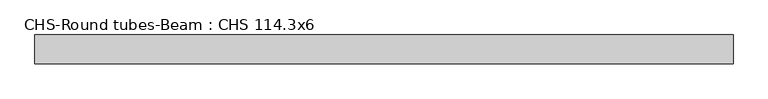
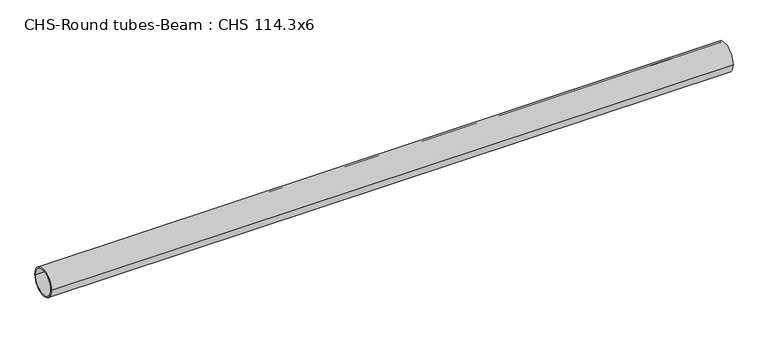
"""IFC4 building model written with IfcOpenShell, lengths in millimetres: beam geometry, CHS-Round tubes-Beam : CHS 114.3x6."""

import ifcopenshell
import ifcopenshell.guid

model = None  # the IFC model being written
_history = None  # IfcOwnerHistory: only IFC2X3 demands one
_inside = {}  # id of a spatial element -> (the spatial element, [elements in it])
_under = {}  # id of a project, library or spatial element -> (it, [spatial elements below it])
_declared = {}  # id of a project -> (the project, [libraries it declares])
_typed = {}  # id of a type object -> (the type object, [elements of that type])
_made_of = {}  # id of a material, layer set ... -> (it, [elements and type objects made of it])


def new_model(schema):
    """Start an empty IFC model of exactly this schema.

    Asked for "IFC4X3", IfcOpenShell would pick the latest addendum, in which some entities
    have other attributes; the version numbers below select the first issue.
    IFC2X3 requires an IfcOwnerHistory on every rooted entity: one is made here for all.
    """
    global model, _history
    if schema == "IFC4X3":
        model = ifcopenshell.file(schema_version=(4, 3, 0, 0))
    else:
        model = ifcopenshell.file(schema=schema)
    _inside.clear()
    _under.clear()
    _declared.clear()
    _typed.clear()
    _made_of.clear()
    _history = None
    if model.schema == "IFC2X3":
        org = make("IfcOrganization", Name="unknown")
        user = make(
            "IfcPersonAndOrganization",
            ThePerson=make("IfcPerson", FamilyName="unknown"),
            TheOrganization=org,
        )
        app = make(
            "IfcApplication",
            ApplicationDeveloper=org,
            Version="unknown",
            ApplicationFullName="unknown",
            ApplicationIdentifier="unknown",
        )
        _history = make(
            "IfcOwnerHistory",
            OwningUser=user,
            OwningApplication=app,
            ChangeAction="ADDED",
            CreationDate=0,
        )
    return model


def make(cls, **values):
    """One entity of the class cls with the attributes given. An attribute that is None is left unset."""
    return model.create_entity(
        cls, **{name: value for name, value in values.items() if value is not None}
    )


def rooted(cls, **values):
    """An entity with a GlobalId (a new one), such as an element, a storey or a relation."""
    return make(cls, GlobalId=ifcopenshell.guid.new(), OwnerHistory=_history, **values)


def si_unit(unit_type, name, prefix=None):
    """IfcSIUnit, for example si_unit("LENGTHUNIT", "METRE", prefix="MILLI")."""
    return make("IfcSIUnit", UnitType=unit_type, Prefix=prefix, Name=name)


def assignment(units):
    """IfcUnitAssignment: the units of a project."""
    return None if units is None else make("IfcUnitAssignment", Units=units)


def point(xyz):
    """IfcCartesianPoint."""
    return None if xyz is None else make("IfcCartesianPoint", Coordinates=xyz)


def direction(xyz):
    """IfcDirection."""
    return None if xyz is None else make("IfcDirection", DirectionRatios=xyz)


def frame(location, z_axis=None, x_axis=None):
    """IfcAxis2Placement3D, a coordinate frame: its origin and axes. An axis left out is left unset."""
    return make(
        "IfcAxis2Placement3D",
        Location=point(location),
        Axis=direction(z_axis),
        RefDirection=direction(x_axis),
    )


def frame_2d(location, x_axis=None):
    """IfcAxis2Placement2D, a coordinate frame in the plane: its origin and x axis."""
    return make(
        "IfcAxis2Placement2D", Location=point(location), RefDirection=direction(x_axis)
    )


def origin():
    """The frame at (0, 0, 0) with its axes left unset."""
    return frame((0.0, 0.0, 0.0))


def origin_2d():
    """The frame at (0, 0) in the plane with its x axis left unset."""
    return frame_2d((0.0, 0.0))


def place(relative_to, where):
    """IfcLocalPlacement: puts the frame where relative to a parent placement (None: the world)."""
    return make(
        "IfcLocalPlacement", PlacementRelTo=relative_to, RelativePlacement=where
    )


def context(
    kind, dimensions, precision=None, world=None, true_north=None, identifier=None
):
    """IfcGeometricRepresentationContext, for example the 3D "Model" context."""
    return make(
        "IfcGeometricRepresentationContext",
        ContextIdentifier=identifier,
        ContextType=kind,
        CoordinateSpaceDimension=dimensions,
        Precision=precision,
        WorldCoordinateSystem=world,
        TrueNorth=true_north,
    )


def project(units=None, contexts=None):
    """IfcProject with its units and contexts."""
    return rooted(
        "IfcProject",
        Name="project",
        RepresentationContexts=contexts,
        UnitsInContext=assignment(units),
    )


def spatial(cls, under=None, at=None, **own):
    """A site, building, storey or space (cls), placed at a placement, below another one or the project."""
    s = rooted(cls, ObjectPlacement=at, **own)
    if under is not None:
        _under.setdefault(under.id(), (under, []))[1].append(s)
    return s


def circle_curve(where, radius):
    """IfcCircle in the frame where."""
    return make("IfcCircle", Position=where, Radius=radius)


def trimmed(basis, trim1, trim2, sense, master):
    """IfcTrimmedCurve: the piece of a basis curve between two trims."""
    return make(
        "IfcTrimmedCurve",
        BasisCurve=basis,
        Trim1=trim1,
        Trim2=trim2,
        SenseAgreement=sense,
        MasterRepresentation=master,
    )


def segment(curve, same_sense, transition):
    """IfcCompositeCurveSegment."""
    return make(
        "IfcCompositeCurveSegment",
        Transition=transition,
        SameSense=same_sense,
        ParentCurve=curve,
    )


def composite_curve(segments, self_intersect=None):
    """IfcCompositeCurve: segments joined end to end."""
    return make("IfcCompositeCurve", Segments=segments, SelfIntersect=self_intersect)


def outline(outer, holes=None, kind="AREA"):
    """IfcArbitraryClosedProfileDef: a profile drawn as a closed curve; with holes, ...WithVoids."""
    if holes is None:
        return make("IfcArbitraryClosedProfileDef", ProfileType=kind, OuterCurve=outer)
    return make(
        "IfcArbitraryProfileDefWithVoids",
        ProfileType=kind,
        OuterCurve=outer,
        InnerCurves=holes,
    )


def extrude(swept, where, along, depth):
    """IfcExtrudedAreaSolid: the profile swept, set in the frame where, extruded along a direction by depth."""
    return make(
        "IfcExtrudedAreaSolid",
        SweptArea=swept,
        Position=where,
        ExtrudedDirection=direction(along),
        Depth=depth,
    )


def shape(context_of_items, identifier, shape_type, items):
    """IfcShapeRepresentation: the items that make up one representation, for example the "Body"."""
    return make(
        "IfcShapeRepresentation",
        ContextOfItems=context_of_items,
        RepresentationIdentifier=identifier,
        RepresentationType=shape_type,
        Items=items,
    )


def source(mapping_origin, context_of_items, identifier, shape_type, items):
    """IfcRepresentationMap: a shape defined once, which mapped items show again and again."""
    return make(
        "IfcRepresentationMap",
        MappingOrigin=mapping_origin,
        MappedRepresentation=shape(context_of_items, identifier, shape_type, items),
    )


def transform(
    local_origin,
    x_axis=None,
    y_axis=None,
    z_axis=None,
    scale=None,
    scale2=None,
    scale3=None,
    uniform=True,
):
    """IfcCartesianTransformationOperator3D, or its non-uniform kind. x_axis, y_axis, z_axis: its Axis1, 2, 3."""
    if uniform:
        return make(
            "IfcCartesianTransformationOperator3D",
            Axis1=direction(x_axis),
            Axis2=direction(y_axis),
            LocalOrigin=point(local_origin),
            Scale=scale,
            Axis3=direction(z_axis),
        )
    return make(
        "IfcCartesianTransformationOperator3DnonUniform",
        Axis1=direction(x_axis),
        Axis2=direction(y_axis),
        LocalOrigin=point(local_origin),
        Scale=scale,
        Axis3=direction(z_axis),
        Scale2=scale2,
        Scale3=scale3,
    )


def mapped(mapping_source, mapping_target):
    """IfcMappedItem: shows the shape of a source again, moved by a transform."""
    return make(
        "IfcMappedItem", MappingSource=mapping_source, MappingTarget=mapping_target
    )


def made_of(thing, what):
    """Note that an element or type object is made of a material, layer set ...; save() writes the relation."""
    if what is not None:
        _made_of.setdefault(what.id(), (what, []))[1].append(thing)
    return thing


def element(
    cls,
    number,
    at=None,
    inside=None,
    cuts=None,
    type_object=None,
    material=None,
    context=None,
    identifier="Body",
    shape_type=None,
    held_by="IfcProductDefinitionShape",
    body=None,
    shapes=None,
    **own,
):
    """One element of the class cls, such as IfcWall. Its Tag is "e" and its number.

    at: its placement. inside: the storey or other place that contains it. cuts: it is an
    opening in that element (IfcRelVoidsElement). A single representation is given by context,
    identifier, shape_type and body (its items); several are given by shapes. held_by: the class
    of the entity that holds the representations. save() writes the other relations.
    """
    e = rooted(cls, Tag="e%d" % number, ObjectPlacement=at, **own)
    if body is not None:
        shapes = [shape(context, identifier, shape_type, body)]
    if shapes is not None:
        e.Representation = make(held_by, Representations=shapes)
    if inside is not None:
        _inside.setdefault(inside.id(), (inside, []))[1].append(e)
    if cuts is not None:
        rooted(
            "IfcRelVoidsElement", RelatingBuildingElement=cuts, RelatedOpeningElement=e
        )
    if type_object is not None:
        _typed.setdefault(type_object.id(), (type_object, []))[1].append(e)
    return made_of(e, material)


def aggregate(whole, parts):
    """IfcRelAggregates: a whole, such as a stair, and the parts it consists of."""
    return rooted("IfcRelAggregates", RelatingObject=whole, RelatedObjects=parts)


def save(model, path):
    """Write the relations noted so far, then the file.

    IfcRelAggregates (storeys below a building ...), IfcRelContainedInSpatialStructure (elements
    in a storey), IfcRelDefinesByType, IfcRelAssociatesMaterial and IfcRelDeclares: one each for
    every whole, place, type object, material and project.
    """
    for whole, parts in _under.values():
        aggregate(whole, parts)
    for where, things in _inside.values():
        rooted(
            "IfcRelContainedInSpatialStructure",
            RelatedElements=things,
            RelatingStructure=where,
        )
    for kind, things in _typed.values():
        rooted("IfcRelDefinesByType", RelatedObjects=things, RelatingType=kind)
    for what, things in _made_of.values():
        rooted("IfcRelAssociatesMaterial", RelatedObjects=things, RelatingMaterial=what)
    for by, libraries in _declared.values():
        rooted("IfcRelDeclares", RelatingContext=by, RelatedDefinitions=libraries)
    model.write(path)


def chs_round_tubes_beam_chs_114_3x6_e16422e8(model_context):
    return source(origin(), model_context, "Body", "SweptSolid", [
        extrude(outline(composite_curve([segment(trimmed(circle_curve(origin_2d(), 57.15), [point((57.15, 0.0))], [point((-57.15, 0.0))], False, "CARTESIAN"), True, "CONTINUOUS"), segment(trimmed(circle_curve(origin_2d(), 57.15), [point((-57.15, 0.0))], [point((57.15, 0.0))], False, "CARTESIAN"), True, "CONTINUOUS")], self_intersect=False), holes=[composite_curve([segment(trimmed(circle_curve(origin_2d(), 51.15), [point((51.15, 0.0))], [point((-51.15, 0.0))], True, "CARTESIAN"), True, "CONTINUOUS"), segment(trimmed(circle_curve(origin_2d(), 51.15), [point((-51.15, 0.0))], [point((51.15, 0.0))], True, "CARTESIAN"), True, "CONTINUOUS")], self_intersect=False)]), frame((-1334.8034441, 0.0, 0.0), z_axis=(1.0, 0.0, 0.0), x_axis=(0.0, 1.0, 0.0)), (0.0, 0.0, 1.0), 2753.6781434),
    ])


if __name__ == "__main__":
    model = new_model("IFC4")
    model_context = context("Model", 3, world=origin())
    ifc_project = project(units=[si_unit("LENGTHUNIT", "METRE", prefix="MILLI")], contexts=[model_context])
    site = spatial("IfcSite", under=ifc_project)
    building = spatial("IfcBuilding", under=site)
    placement = place(None, origin())
    chs_round_tubes_beam_chs_114_3x6_shape = chs_round_tubes_beam_chs_114_3x6_e16422e8(model_context)
    element("IfcBeam", 1, ObjectType="CHS-Round tubes-Beam : CHS 114.3x6", at=placement, inside=building, context=model_context, shape_type="MappedRepresentation", body=[
        mapped(chs_round_tubes_beam_chs_114_3x6_shape, transform((0.0, 0.0, 0.0), x_axis=(1.0, 0.0, 0.0), y_axis=(0.0, 1.0, 0.0), z_axis=(0.0, 0.0, 1.0))),
    ])
    save(model, "model.ifc")
